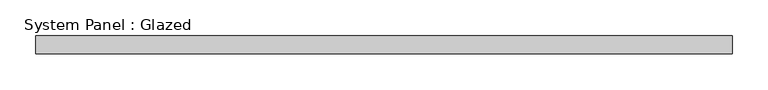
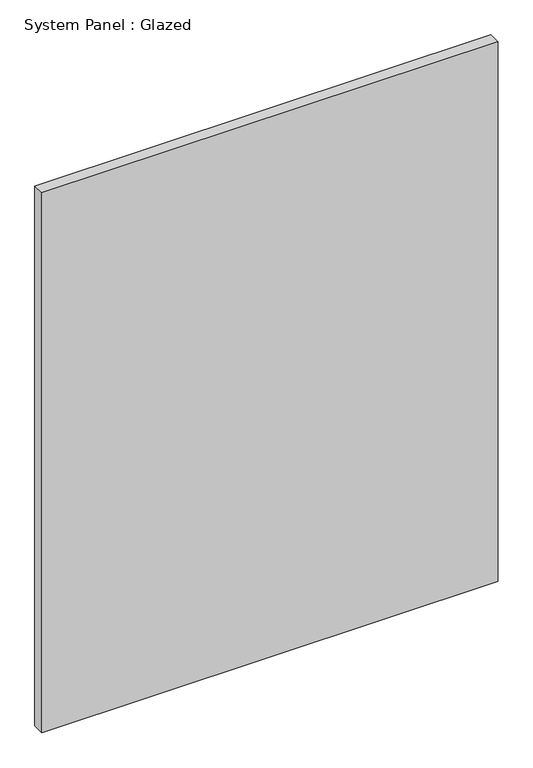
"""IFC4 building model written with IfcOpenShell, lengths in millimetres: plate geometry, System Panel : Glazed."""

from ifc_helpers import new_model, si_unit, origin, origin_with_axes, place, context, project, spatial, polyline, outline, extrude, source, transform, mapped, element, save


def system_panel_glazed_83fc64b4(model_context):
    return source(origin(), model_context, "Body", "SweptSolid", [
        extrude(outline(polyline([(487.1405982, 19.05), (-487.1405982, 19.05), (-487.1405982, 44.45), (487.1405982, 44.45), (487.1405982, 19.05)])), origin_with_axes(), (0.0, 0.0, 1.0), 1219.2),
    ])


if __name__ == "__main__":
    model = new_model("IFC4")
    model_context = context("Model", 3, world=origin())
    ifc_project = project(units=[si_unit("LENGTHUNIT", "METRE", prefix="MILLI")], contexts=[model_context])
    site = spatial("IfcSite", under=ifc_project)
    building = spatial("IfcBuilding", under=site)
    placement = place(None, origin())
    system_panel_glazed_shape = system_panel_glazed_83fc64b4(model_context)
    element("IfcPlate", 1, ObjectType="System Panel : Glazed", at=placement, inside=building, context=model_context, shape_type="MappedRepresentation", body=[
        mapped(system_panel_glazed_shape, transform((0.0, 0.0, 0.0), x_axis=(1.0, 0.0, 0.0), y_axis=(0.0, 1.0, 0.0), z_axis=(0.0, 0.0, 1.0))),
    ])
    save(model, "model.ifc")
